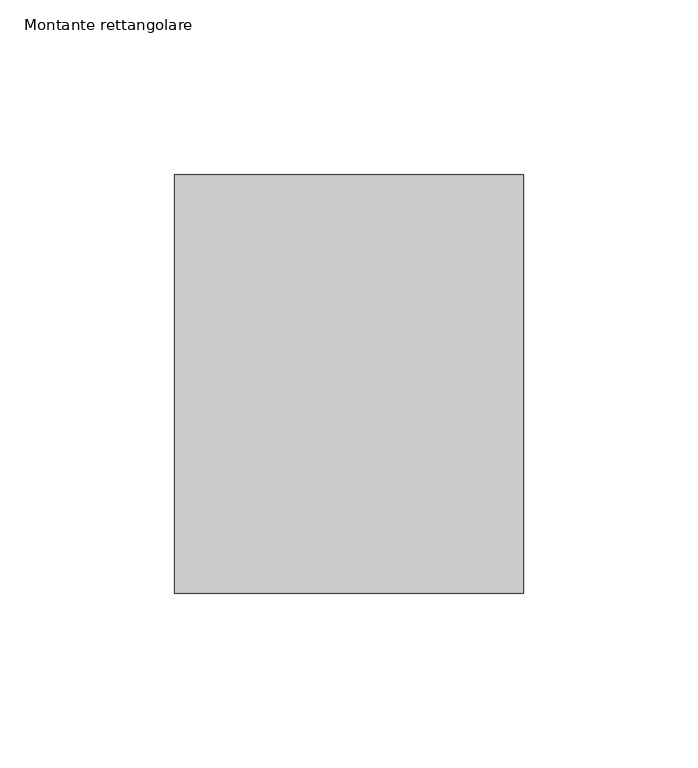
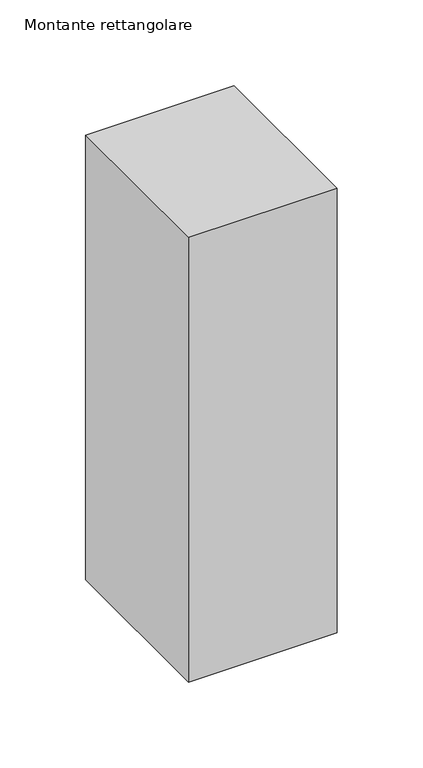
"""IFC4 building model written with IfcOpenShell, lengths in millimetres: member geometry, Montante rettangolare."""

from ifc_helpers import new_model, si_unit, frame, origin, place, context, project, spatial, polyline, outline, extrude, source, transform, mapped, element, save


def montante_rettangolare_3c814b52(model_context):
    return source(origin(), model_context, "Body", "SweptSolid", [
        extrude(outline(polyline([(50.0, 60.0), (50.0, -60.0), (-50.0, -60.0), (-50.0, 60.0), (50.0, 60.0)])), frame((0.0, 0.0, -316.3327574), z_axis=(0.0, 0.0, 1.0), x_axis=(1.0, 0.0, 0.0)), (0.0, 0.0, 1.0), 316.3327574),
    ])


if __name__ == "__main__":
    model = new_model("IFC4")
    model_context = context("Model", 3, world=origin())
    ifc_project = project(units=[si_unit("LENGTHUNIT", "METRE", prefix="MILLI")], contexts=[model_context])
    site = spatial("IfcSite", under=ifc_project)
    building = spatial("IfcBuilding", under=site)
    placement = place(None, origin())
    montante_rettangolare_shape = montante_rettangolare_3c814b52(model_context)
    element("IfcMember", 1, ObjectType="Montante rettangolare", at=placement, inside=building, context=model_context, shape_type="MappedRepresentation", body=[
        mapped(montante_rettangolare_shape, transform((0.0, 0.0, 0.0), x_axis=(1.0, 0.0, 0.0), y_axis=(0.0, 1.0, 0.0), z_axis=(0.0, 0.0, 1.0))),
    ])
    save(model, "model.ifc")
